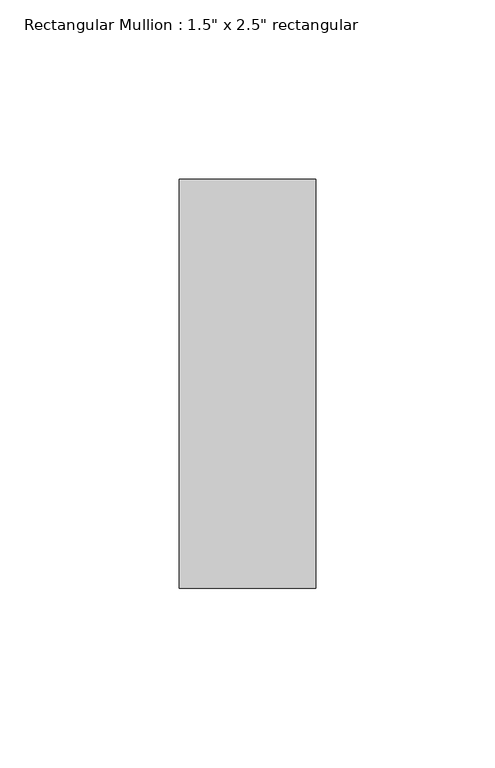
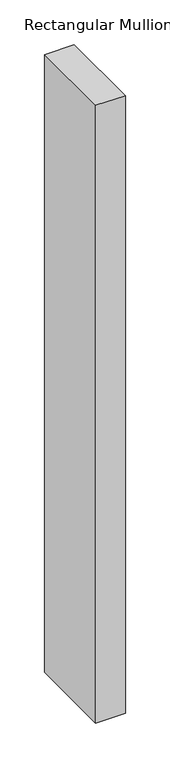
"""IFC4 building model written with IfcOpenShell, lengths in millimetres: member geometry."""

import ifcopenshell
import ifcopenshell.guid

model = None  # the IFC model being written
_history = None  # IfcOwnerHistory: only IFC2X3 demands one
_inside = {}  # id of a spatial element -> (the spatial element, [elements in it])
_under = {}  # id of a project, library or spatial element -> (it, [spatial elements below it])
_declared = {}  # id of a project -> (the project, [libraries it declares])
_typed = {}  # id of a type object -> (the type object, [elements of that type])
_made_of = {}  # id of a material, layer set ... -> (it, [elements and type objects made of it])


def new_model(schema):
    """Start an empty IFC model of exactly this schema.

    Asked for "IFC4X3", IfcOpenShell would pick the latest addendum, in which some entities
    have other attributes; the version numbers below select the first issue.
    IFC2X3 requires an IfcOwnerHistory on every rooted entity: one is made here for all.
    """
    global model, _history
    if schema == "IFC4X3":
        model = ifcopenshell.file(schema_version=(4, 3, 0, 0))
    else:
        model = ifcopenshell.file(schema=schema)
    _inside.clear()
    _under.clear()
    _declared.clear()
    _typed.clear()
    _made_of.clear()
    _history = None
    if model.schema == "IFC2X3":
        org = make("IfcOrganization", Name="unknown")
        user = make(
            "IfcPersonAndOrganization",
            ThePerson=make("IfcPerson", FamilyName="unknown"),
            TheOrganization=org,
        )
        app = make(
            "IfcApplication",
            ApplicationDeveloper=org,
            Version="unknown",
            ApplicationFullName="unknown",
            ApplicationIdentifier="unknown",
        )
        _history = make(
            "IfcOwnerHistory",
            OwningUser=user,
            OwningApplication=app,
            ChangeAction="ADDED",
            CreationDate=0,
        )
    return model


def make(cls, **values):
    """One entity of the class cls with the attributes given. An attribute that is None is left unset."""
    return model.create_entity(
        cls, **{name: value for name, value in values.items() if value is not None}
    )


def rooted(cls, **values):
    """An entity with a GlobalId (a new one), such as an element, a storey or a relation."""
    return make(cls, GlobalId=ifcopenshell.guid.new(), OwnerHistory=_history, **values)


def si_unit(unit_type, name, prefix=None):
    """IfcSIUnit, for example si_unit("LENGTHUNIT", "METRE", prefix="MILLI")."""
    return make("IfcSIUnit", UnitType=unit_type, Prefix=prefix, Name=name)


def assignment(units):
    """IfcUnitAssignment: the units of a project."""
    return None if units is None else make("IfcUnitAssignment", Units=units)


def point(xyz):
    """IfcCartesianPoint."""
    return None if xyz is None else make("IfcCartesianPoint", Coordinates=xyz)


def direction(xyz):
    """IfcDirection."""
    return None if xyz is None else make("IfcDirection", DirectionRatios=xyz)


def frame(location, z_axis=None, x_axis=None):
    """IfcAxis2Placement3D, a coordinate frame: its origin and axes. An axis left out is left unset."""
    return make(
        "IfcAxis2Placement3D",
        Location=point(location),
        Axis=direction(z_axis),
        RefDirection=direction(x_axis),
    )


def origin():
    """The frame at (0, 0, 0) with its axes left unset."""
    return frame((0.0, 0.0, 0.0))


def place(relative_to, where):
    """IfcLocalPlacement: puts the frame where relative to a parent placement (None: the world)."""
    return make(
        "IfcLocalPlacement", PlacementRelTo=relative_to, RelativePlacement=where
    )


def context(
    kind, dimensions, precision=None, world=None, true_north=None, identifier=None
):
    """IfcGeometricRepresentationContext, for example the 3D "Model" context."""
    return make(
        "IfcGeometricRepresentationContext",
        ContextIdentifier=identifier,
        ContextType=kind,
        CoordinateSpaceDimension=dimensions,
        Precision=precision,
        WorldCoordinateSystem=world,
        TrueNorth=true_north,
    )


def project(units=None, contexts=None):
    """IfcProject with its units and contexts."""
    return rooted(
        "IfcProject",
        Name="project",
        RepresentationContexts=contexts,
        UnitsInContext=assignment(units),
    )


def spatial(cls, under=None, at=None, **own):
    """A site, building, storey or space (cls), placed at a placement, below another one or the project."""
    s = rooted(cls, ObjectPlacement=at, **own)
    if under is not None:
        _under.setdefault(under.id(), (under, []))[1].append(s)
    return s


def polyline(points):
    """IfcPolyline through the points."""
    return make("IfcPolyline", Points=[point(p) for p in points])


def outline(outer, holes=None, kind="AREA"):
    """IfcArbitraryClosedProfileDef: a profile drawn as a closed curve; with holes, ...WithVoids."""
    if holes is None:
        return make("IfcArbitraryClosedProfileDef", ProfileType=kind, OuterCurve=outer)
    return make(
        "IfcArbitraryProfileDefWithVoids",
        ProfileType=kind,
        OuterCurve=outer,
        InnerCurves=holes,
    )


def extrude(swept, where, along, depth):
    """IfcExtrudedAreaSolid: the profile swept, set in the frame where, extruded along a direction by depth."""
    return make(
        "IfcExtrudedAreaSolid",
        SweptArea=swept,
        Position=where,
        ExtrudedDirection=direction(along),
        Depth=depth,
    )


def shape(context_of_items, identifier, shape_type, items):
    """IfcShapeRepresentation: the items that make up one representation, for example the "Body"."""
    return make(
        "IfcShapeRepresentation",
        ContextOfItems=context_of_items,
        RepresentationIdentifier=identifier,
        RepresentationType=shape_type,
        Items=items,
    )


def source(mapping_origin, context_of_items, identifier, shape_type, items):
    """IfcRepresentationMap: a shape defined once, which mapped items show again and again."""
    return make(
        "IfcRepresentationMap",
        MappingOrigin=mapping_origin,
        MappedRepresentation=shape(context_of_items, identifier, shape_type, items),
    )


def transform(
    local_origin,
    x_axis=None,
    y_axis=None,
    z_axis=None,
    scale=None,
    scale2=None,
    scale3=None,
    uniform=True,
):
    """IfcCartesianTransformationOperator3D, or its non-uniform kind. x_axis, y_axis, z_axis: its Axis1, 2, 3."""
    if uniform:
        return make(
            "IfcCartesianTransformationOperator3D",
            Axis1=direction(x_axis),
            Axis2=direction(y_axis),
            LocalOrigin=point(local_origin),
            Scale=scale,
            Axis3=direction(z_axis),
        )
    return make(
        "IfcCartesianTransformationOperator3DnonUniform",
        Axis1=direction(x_axis),
        Axis2=direction(y_axis),
        LocalOrigin=point(local_origin),
        Scale=scale,
        Axis3=direction(z_axis),
        Scale2=scale2,
        Scale3=scale3,
    )


def mapped(mapping_source, mapping_target):
    """IfcMappedItem: shows the shape of a source again, moved by a transform."""
    return make(
        "IfcMappedItem", MappingSource=mapping_source, MappingTarget=mapping_target
    )


def made_of(thing, what):
    """Note that an element or type object is made of a material, layer set ...; save() writes the relation."""
    if what is not None:
        _made_of.setdefault(what.id(), (what, []))[1].append(thing)
    return thing


def element(
    cls,
    number,
    at=None,
    inside=None,
    cuts=None,
    type_object=None,
    material=None,
    context=None,
    identifier="Body",
    shape_type=None,
    held_by="IfcProductDefinitionShape",
    body=None,
    shapes=None,
    **own,
):
    """One element of the class cls, such as IfcWall. Its Tag is "e" and its number.

    at: its placement. inside: the storey or other place that contains it. cuts: it is an
    opening in that element (IfcRelVoidsElement). A single representation is given by context,
    identifier, shape_type and body (its items); several are given by shapes. held_by: the class
    of the entity that holds the representations. save() writes the other relations.
    """
    e = rooted(cls, Tag="e%d" % number, ObjectPlacement=at, **own)
    if body is not None:
        shapes = [shape(context, identifier, shape_type, body)]
    if shapes is not None:
        e.Representation = make(held_by, Representations=shapes)
    if inside is not None:
        _inside.setdefault(inside.id(), (inside, []))[1].append(e)
    if cuts is not None:
        rooted(
            "IfcRelVoidsElement", RelatingBuildingElement=cuts, RelatedOpeningElement=e
        )
    if type_object is not None:
        _typed.setdefault(type_object.id(), (type_object, []))[1].append(e)
    return made_of(e, material)


def aggregate(whole, parts):
    """IfcRelAggregates: a whole, such as a stair, and the parts it consists of."""
    return rooted("IfcRelAggregates", RelatingObject=whole, RelatedObjects=parts)


def save(model, path):
    """Write the relations noted so far, then the file.

    IfcRelAggregates (storeys below a building ...), IfcRelContainedInSpatialStructure (elements
    in a storey), IfcRelDefinesByType, IfcRelAssociatesMaterial and IfcRelDeclares: one each for
    every whole, place, type object, material and project.
    """
    for whole, parts in _under.values():
        aggregate(whole, parts)
    for where, things in _inside.values():
        rooted(
            "IfcRelContainedInSpatialStructure",
            RelatedElements=things,
            RelatingStructure=where,
        )
    for kind, things in _typed.values():
        rooted("IfcRelDefinesByType", RelatedObjects=things, RelatingType=kind)
    for what, things in _made_of.values():
        rooted("IfcRelAssociatesMaterial", RelatedObjects=things, RelatingMaterial=what)
    for by, libraries in _declared.values():
        rooted("IfcRelDeclares", RelatingContext=by, RelatedDefinitions=libraries)
    model.write(path)


def member_32cdfbda(model_context):
    return source(origin(), model_context, "Body", "SweptSolid", [
        extrude(outline(polyline([(19.05, 57.15), (19.05, -57.15), (-19.05, -57.15), (-19.05, 57.15), (19.05, 57.15)])), frame((0.0, 0.0, -842.1169147), z_axis=(0.0, 0.0, 1.0), x_axis=(1.0, 0.0, 0.0)), (0.0, 0.0, 1.0), 842.1169147),
    ])


if __name__ == "__main__":
    model = new_model("IFC4")
    model_context = context("Model", 3, world=origin())
    ifc_project = project(units=[si_unit("LENGTHUNIT", "METRE", prefix="MILLI")], contexts=[model_context])
    site = spatial("IfcSite", under=ifc_project)
    building = spatial("IfcBuilding", under=site)
    placement = place(None, origin())
    member_shape = member_32cdfbda(model_context)
    element("IfcMember", 1, ObjectType="Rectangular Mullion : 1.5\" x 2.5\" rectangular", at=placement, inside=building, context=model_context, shape_type="MappedRepresentation", body=[
        mapped(member_shape, transform((0.0, 0.0, 0.0), x_axis=(1.0, 0.0, 0.0), y_axis=(0.0, 1.0, 0.0), z_axis=(0.0, 0.0, 1.0))),
    ])
    save(model, "model.ifc")
